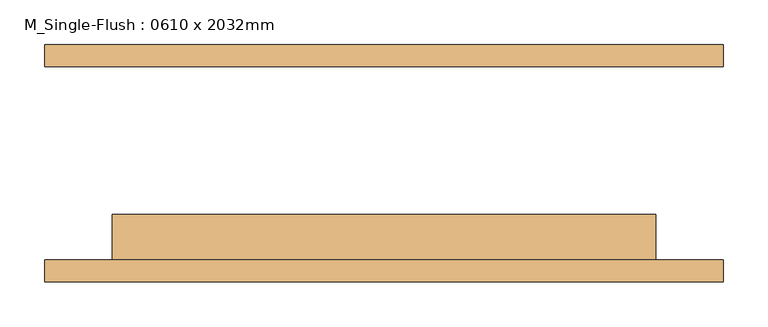
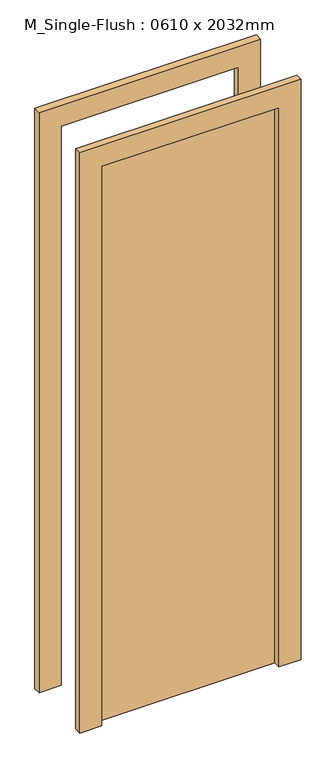
"""IFC4 building model written with IfcOpenShell, lengths in millimetres: door geometry, M_Single-Flush : 0610 x 2032mm."""

from ifc_helpers import new_model, si_unit, frame, origin, origin_with_axes, place, context, project, spatial, polyline, outline, extrude, source, transform, mapped, element, save


def m_single_flush_0610_x_2032mm_7ba3728c(model_context):
    return source(origin(), model_context, "Body", "SweptSolid", [
        extrude(outline(polyline([(2108.0, -381.0), (0.0, -381.0), (0.0, -305.0), (2032.0, -305.0), (2032.0, 305.0), (0.0, 305.0), (0.0, 381.0), (2108.0, 381.0), (2108.0, -381.0)])), frame((0.0, -133.5, 0.0), z_axis=(0.0, 1.0, 0.0), x_axis=(0.0, 0.0, 1.0)), (0.0, 0.0, 1.0), 25.0),
        extrude(outline(polyline([(2108.0, 381.0), (2108.0, -381.0), (0.0, -381.0), (0.0, -305.0), (2032.0, -305.0), (2032.0, 305.0), (0.0, 305.0), (0.0, 381.0), (2108.0, 381.0)])), frame((0.0, 108.5, 0.0), z_axis=(0.0, 1.0, 0.0), x_axis=(0.0, 0.0, 1.0)), (0.0, 0.0, 1.0), 25.0),
        extrude(outline(polyline([(305.0, -57.5), (305.0, -108.5), (-305.0, -108.5), (-305.0, -57.5), (305.0, -57.5)])), origin_with_axes(), (0.0, 0.0, 1.0), 2032.0),
    ])


if __name__ == "__main__":
    model = new_model("IFC4")
    model_context = context("Model", 3, world=origin())
    ifc_project = project(units=[si_unit("LENGTHUNIT", "METRE", prefix="MILLI")], contexts=[model_context])
    site = spatial("IfcSite", under=ifc_project)
    building = spatial("IfcBuilding", under=site)
    placement = place(None, origin())
    m_single_flush_0610_x_2032mm_shape = m_single_flush_0610_x_2032mm_7ba3728c(model_context)
    element("IfcDoor", 1, ObjectType="M_Single-Flush : 0610 x 2032mm", at=placement, inside=building, context=model_context, shape_type="MappedRepresentation", body=[
        mapped(m_single_flush_0610_x_2032mm_shape, transform((0.0, 0.0, 0.0), x_axis=(1.0, 0.0, 0.0), y_axis=(0.0, 1.0, 0.0), z_axis=(0.0, 0.0, 1.0))),
    ])
    save(model, "model.ifc")
